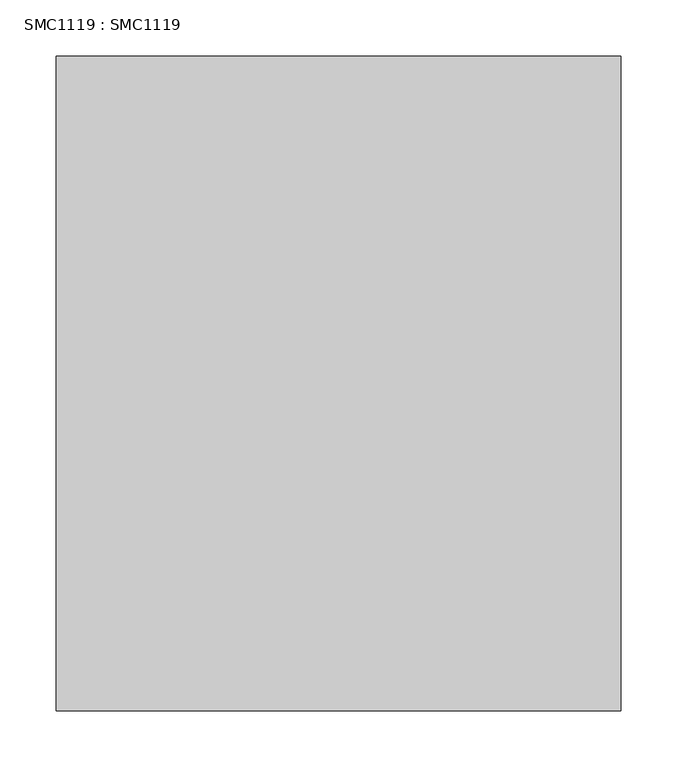
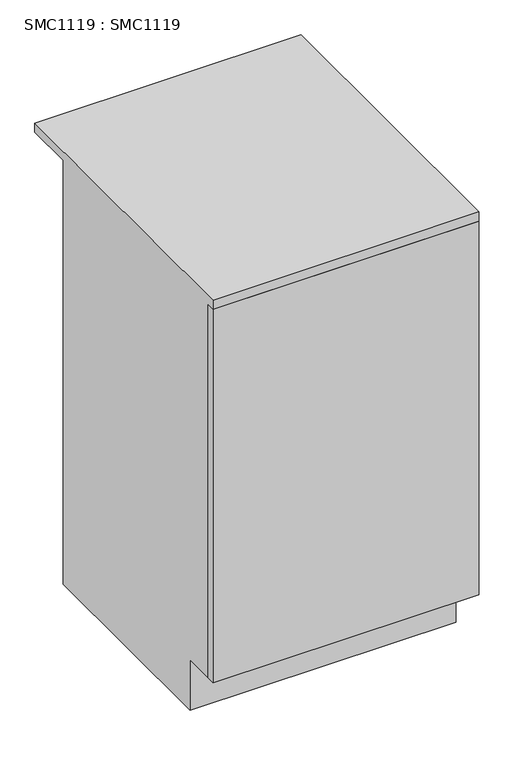
"""IFC4 building model written with IfcOpenShell, lengths in millimetres: proxy geometry, SMC1119 : SMC1119."""

from ifc_helpers import new_model, si_unit, frame, origin, place, context, project, spatial, polyline, outline, extrude, faceted_brep, source, transform, mapped, element, save


def smc1119_smc1119_600d22f0(model_context):
    return source(origin(), model_context, "Body", "SolidModel", [
        faceted_brep([(0.0, -92.0, 0.0), (500.0, -92.0, 0.0), (500.0, -505.0, 0.0), (0.0, -505.0, 0.0), (482.0, -110.0, 0.0), (18.0, -110.0, 0.0), (18.0, -487.0, 0.0), (482.0, -487.0, 0.0), (500.0, -92.0, 842.0), (500.0, 0.0, 842.0), (500.0, 0.0, 860.0), (500.0, -580.0, 860.0), (500.0, -580.0, 842.0), (500.0, -562.0, 842.0), (500.0, -562.0, 100.0), (500.0, -505.0, 100.0), (18.0, -487.0, 100.0), (482.0, -487.0, 100.0), (0.0, -92.0, 842.0), (0.0, -505.0, 100.0), (0.0, -562.0, 100.0), (0.0, -562.0, 842.0), (0.0, -580.0, 842.0), (0.0, -580.0, 860.0), (0.0, 0.0, 860.0), (0.0, 0.0, 842.0), (18.0, -562.0, 118.0), (482.0, -562.0, 118.0), (482.0, -110.0, 118.0), (18.0, -110.0, 118.0), (18.0, -110.0, 100.0), (482.0, -110.0, 100.0), (18.0, -562.0, 842.0), (482.0, -562.0, 842.0), (18.0, -110.0, 842.0), (482.0, -110.0, 842.0)], [[[0, 1, 2, 3], [4, 5, 6, 7]], [[1, 8, 9, 10, 11, 12, 13, 14, 15, 2]], [[7, 6, 16, 17]], [[18, 0, 3, 19, 20, 21, 22, 23, 24, 25]], [[2, 15, 19, 3]], [[26, 27, 28, 29]], [[15, 14, 20, 19]], [[17, 16, 30, 31]], [[26, 32, 21, 20, 14, 13, 33, 27]], [[6, 5, 30, 16]], [[29, 34, 32, 26]], [[5, 4, 31, 30]], [[34, 29, 28, 35]], [[4, 7, 17, 31]], [[35, 28, 27, 33]], [[1, 0, 18, 8]], [[10, 24, 23, 11]], [[12, 22, 21, 32, 34, 35, 33, 13]], [[25, 9, 8, 18]], [[24, 10, 9, 25]], [[11, 23, 22, 12]]]),
        extrude(outline(polyline([(500.0, -580.0), (0.0, -580.0), (0.0, -562.0), (500.0, -562.0), (500.0, -580.0)])), frame((0.0, 0.0, 100.0), z_axis=(0.0, 0.0, 1.0), x_axis=(1.0, 0.0, 0.0)), (0.0, 0.0, 1.0), 742.0),
    ])


if __name__ == "__main__":
    model = new_model("IFC4")
    model_context = context("Model", 3, world=origin())
    ifc_project = project(units=[si_unit("LENGTHUNIT", "METRE", prefix="MILLI")], contexts=[model_context])
    site = spatial("IfcSite", under=ifc_project)
    building = spatial("IfcBuilding", under=site)
    placement = place(None, origin())
    smc1119_smc1119_shape = smc1119_smc1119_600d22f0(model_context)
    element("IfcBuildingElementProxy", 1, Name="SMC1119 : SMC1119", ObjectType="SMC1119 : SMC1119", at=placement, inside=building, context=model_context, shape_type="MappedRepresentation", body=[
        mapped(smc1119_smc1119_shape, transform((0.0, 0.0, 0.0), x_axis=(1.0, 0.0, 0.0), y_axis=(0.0, 1.0, 0.0), z_axis=(0.0, 0.0, 1.0))),
    ])
    save(model, "model.ifc")
